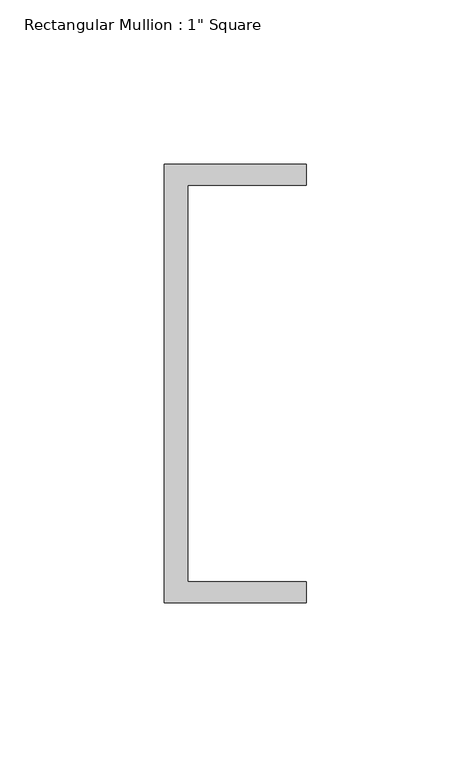
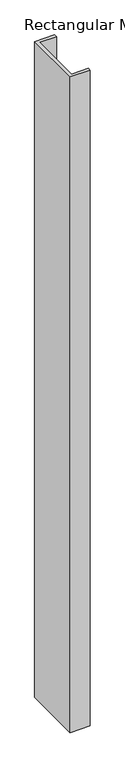
"""IFC4 building model written with IfcOpenShell, lengths in millimetres: member geometry."""

from ifc_helpers import new_model, si_unit, frame, origin, place, context, project, spatial, polyline, outline, extrude, source, transform, mapped, element, save


def member_037cecd6(model_context):
    return source(origin(), model_context, "Body", "SweptSolid", [
        extrude(outline(polyline([(-18.6549463, 135.2608739), (24.5675083, 135.2608739), (24.5675083, 128.9108739), (-11.6110886, 128.9108739), (-11.6110886, 8.2608739), (24.5675083, 8.2608739), (24.5675083, 1.9108739), (-18.6549463, 1.9108739), (-18.6549463, 135.2608739)])), frame((0.0, 0.0, -1505.2197601), z_axis=(0.0, 0.0, 1.0), x_axis=(1.0, 0.0, 0.0)), (0.0, 0.0, 1.0), 1505.2197601),
    ])


if __name__ == "__main__":
    model = new_model("IFC4")
    model_context = context("Model", 3, world=origin())
    ifc_project = project(units=[si_unit("LENGTHUNIT", "METRE", prefix="MILLI")], contexts=[model_context])
    site = spatial("IfcSite", under=ifc_project)
    building = spatial("IfcBuilding", under=site)
    placement = place(None, origin())
    member_shape = member_037cecd6(model_context)
    element("IfcMember", 1, ObjectType="Rectangular Mullion : 1\" Square", at=placement, inside=building, context=model_context, shape_type="MappedRepresentation", body=[
        mapped(member_shape, transform((0.0, 0.0, 0.0), x_axis=(1.0, 0.0, 0.0), y_axis=(0.0, 1.0, 0.0), z_axis=(0.0, 0.0, 1.0))),
    ])
    save(model, "model.ifc")
